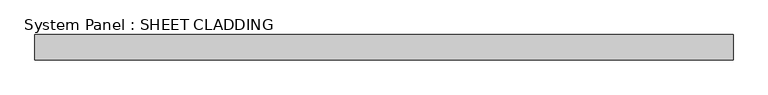
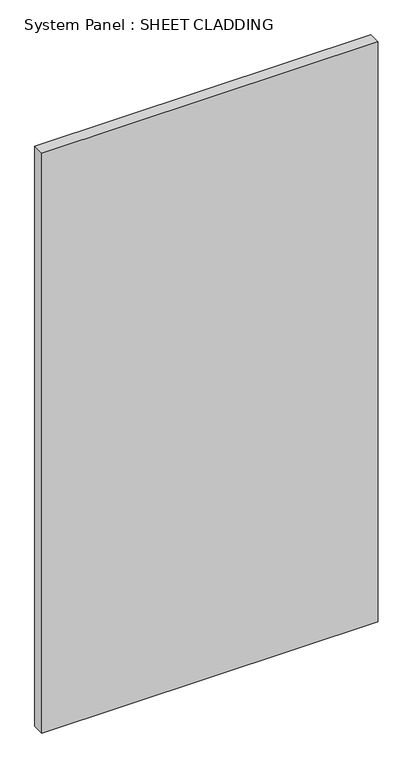
"""IFC4 building model written with IfcOpenShell, lengths in millimetres: plate geometry, System Panel : SHEET CLADDING."""

from ifc_helpers import new_model, si_unit, origin, origin_with_axes, place, context, project, spatial, polyline, outline, extrude, source, transform, mapped, element, save


def system_panel_sheet_cladding_715e6aed(model_context):
    return source(origin(), model_context, "Body", "SweptSolid", [
        extrude(outline(polyline([(831.1220206, -49.5), (-831.1220206, -49.5), (-831.1220206, 10.5), (831.1220206, 10.5), (831.1220206, -49.5)])), origin_with_axes(), (0.0, 0.0, 1.0), 3031.35),
    ])


if __name__ == "__main__":
    model = new_model("IFC4")
    model_context = context("Model", 3, world=origin())
    ifc_project = project(units=[si_unit("LENGTHUNIT", "METRE", prefix="MILLI")], contexts=[model_context])
    site = spatial("IfcSite", under=ifc_project)
    building = spatial("IfcBuilding", under=site)
    placement = place(None, origin())
    system_panel_sheet_cladding_shape = system_panel_sheet_cladding_715e6aed(model_context)
    element("IfcPlate", 1, ObjectType="System Panel : SHEET CLADDING", at=placement, inside=building, context=model_context, shape_type="MappedRepresentation", body=[
        mapped(system_panel_sheet_cladding_shape, transform((0.0, 0.0, 0.0), x_axis=(1.0, 0.0, 0.0), y_axis=(0.0, 1.0, 0.0), z_axis=(0.0, 0.0, 1.0))),
    ])
    save(model, "model.ifc")
